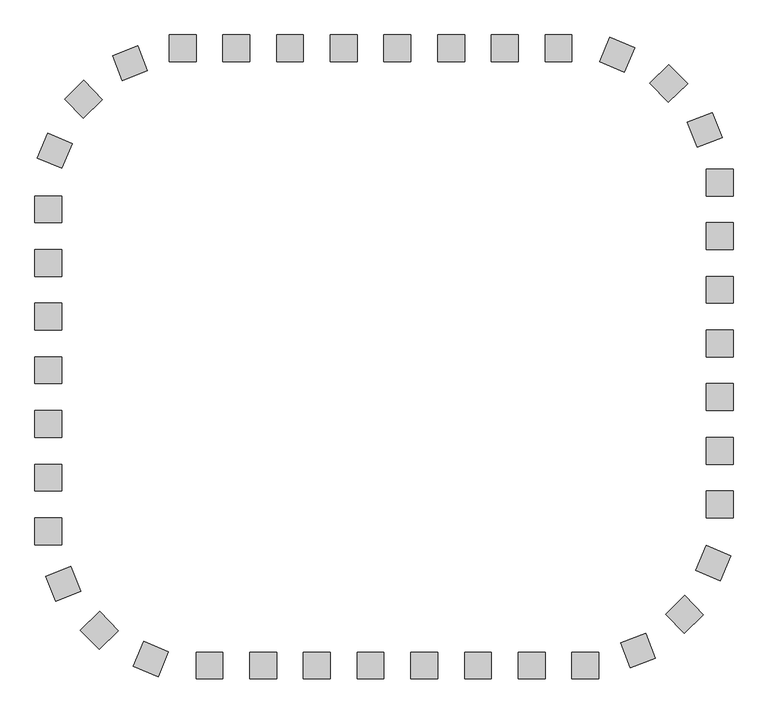
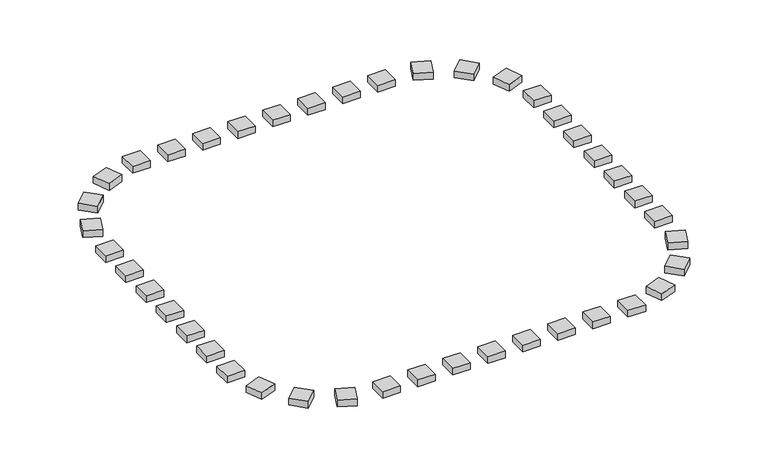
"""IFC4 building model written with IfcOpenShell, lengths in millimetres: railing geometry."""

import ifcopenshell
import ifcopenshell.guid

model = None  # the IFC model being written
_history = None  # IfcOwnerHistory: only IFC2X3 demands one
_inside = {}  # id of a spatial element -> (the spatial element, [elements in it])
_under = {}  # id of a project, library or spatial element -> (it, [spatial elements below it])
_declared = {}  # id of a project -> (the project, [libraries it declares])
_typed = {}  # id of a type object -> (the type object, [elements of that type])
_made_of = {}  # id of a material, layer set ... -> (it, [elements and type objects made of it])


def new_model(schema):
    """Start an empty IFC model of exactly this schema.

    Asked for "IFC4X3", IfcOpenShell would pick the latest addendum, in which some entities
    have other attributes; the version numbers below select the first issue.
    IFC2X3 requires an IfcOwnerHistory on every rooted entity: one is made here for all.
    """
    global model, _history
    if schema == "IFC4X3":
        model = ifcopenshell.file(schema_version=(4, 3, 0, 0))
    else:
        model = ifcopenshell.file(schema=schema)
    _inside.clear()
    _under.clear()
    _declared.clear()
    _typed.clear()
    _made_of.clear()
    _history = None
    if model.schema == "IFC2X3":
        org = make("IfcOrganization", Name="unknown")
        user = make(
            "IfcPersonAndOrganization",
            ThePerson=make("IfcPerson", FamilyName="unknown"),
            TheOrganization=org,
        )
        app = make(
            "IfcApplication",
            ApplicationDeveloper=org,
            Version="unknown",
            ApplicationFullName="unknown",
            ApplicationIdentifier="unknown",
        )
        _history = make(
            "IfcOwnerHistory",
            OwningUser=user,
            OwningApplication=app,
            ChangeAction="ADDED",
            CreationDate=0,
        )
    return model


def make(cls, **values):
    """One entity of the class cls with the attributes given. An attribute that is None is left unset."""
    return model.create_entity(
        cls, **{name: value for name, value in values.items() if value is not None}
    )


def rooted(cls, **values):
    """An entity with a GlobalId (a new one), such as an element, a storey or a relation."""
    return make(cls, GlobalId=ifcopenshell.guid.new(), OwnerHistory=_history, **values)


def si_unit(unit_type, name, prefix=None):
    """IfcSIUnit, for example si_unit("LENGTHUNIT", "METRE", prefix="MILLI")."""
    return make("IfcSIUnit", UnitType=unit_type, Prefix=prefix, Name=name)


def assignment(units):
    """IfcUnitAssignment: the units of a project."""
    return None if units is None else make("IfcUnitAssignment", Units=units)


def point(xyz):
    """IfcCartesianPoint."""
    return None if xyz is None else make("IfcCartesianPoint", Coordinates=xyz)


def direction(xyz):
    """IfcDirection."""
    return None if xyz is None else make("IfcDirection", DirectionRatios=xyz)


def frame(location, z_axis=None, x_axis=None):
    """IfcAxis2Placement3D, a coordinate frame: its origin and axes. An axis left out is left unset."""
    return make(
        "IfcAxis2Placement3D",
        Location=point(location),
        Axis=direction(z_axis),
        RefDirection=direction(x_axis),
    )


def origin():
    """The frame at (0, 0, 0) with its axes left unset."""
    return frame((0.0, 0.0, 0.0))


def origin_with_axes():
    """The frame at (0, 0, 0) with the z axis (0, 0, 1) and the x axis (1, 0, 0) written out."""
    return frame((0.0, 0.0, 0.0), z_axis=(0.0, 0.0, 1.0), x_axis=(1.0, 0.0, 0.0))


def place(relative_to, where):
    """IfcLocalPlacement: puts the frame where relative to a parent placement (None: the world)."""
    return make(
        "IfcLocalPlacement", PlacementRelTo=relative_to, RelativePlacement=where
    )


def context(
    kind, dimensions, precision=None, world=None, true_north=None, identifier=None
):
    """IfcGeometricRepresentationContext, for example the 3D "Model" context."""
    return make(
        "IfcGeometricRepresentationContext",
        ContextIdentifier=identifier,
        ContextType=kind,
        CoordinateSpaceDimension=dimensions,
        Precision=precision,
        WorldCoordinateSystem=world,
        TrueNorth=true_north,
    )


def project(units=None, contexts=None):
    """IfcProject with its units and contexts."""
    return rooted(
        "IfcProject",
        Name="project",
        RepresentationContexts=contexts,
        UnitsInContext=assignment(units),
    )


def spatial(cls, under=None, at=None, **own):
    """A site, building, storey or space (cls), placed at a placement, below another one or the project."""
    s = rooted(cls, ObjectPlacement=at, **own)
    if under is not None:
        _under.setdefault(under.id(), (under, []))[1].append(s)
    return s


def polyline(points):
    """IfcPolyline through the points."""
    return make("IfcPolyline", Points=[point(p) for p in points])


def outline(outer, holes=None, kind="AREA"):
    """IfcArbitraryClosedProfileDef: a profile drawn as a closed curve; with holes, ...WithVoids."""
    if holes is None:
        return make("IfcArbitraryClosedProfileDef", ProfileType=kind, OuterCurve=outer)
    return make(
        "IfcArbitraryProfileDefWithVoids",
        ProfileType=kind,
        OuterCurve=outer,
        InnerCurves=holes,
    )


def extrude(swept, where, along, depth):
    """IfcExtrudedAreaSolid: the profile swept, set in the frame where, extruded along a direction by depth."""
    return make(
        "IfcExtrudedAreaSolid",
        SweptArea=swept,
        Position=where,
        ExtrudedDirection=direction(along),
        Depth=depth,
    )


def shape(context_of_items, identifier, shape_type, items):
    """IfcShapeRepresentation: the items that make up one representation, for example the "Body"."""
    return make(
        "IfcShapeRepresentation",
        ContextOfItems=context_of_items,
        RepresentationIdentifier=identifier,
        RepresentationType=shape_type,
        Items=items,
    )


def source(mapping_origin, context_of_items, identifier, shape_type, items):
    """IfcRepresentationMap: a shape defined once, which mapped items show again and again."""
    return make(
        "IfcRepresentationMap",
        MappingOrigin=mapping_origin,
        MappedRepresentation=shape(context_of_items, identifier, shape_type, items),
    )


def transform(
    local_origin,
    x_axis=None,
    y_axis=None,
    z_axis=None,
    scale=None,
    scale2=None,
    scale3=None,
    uniform=True,
):
    """IfcCartesianTransformationOperator3D, or its non-uniform kind. x_axis, y_axis, z_axis: its Axis1, 2, 3."""
    if uniform:
        return make(
            "IfcCartesianTransformationOperator3D",
            Axis1=direction(x_axis),
            Axis2=direction(y_axis),
            LocalOrigin=point(local_origin),
            Scale=scale,
            Axis3=direction(z_axis),
        )
    return make(
        "IfcCartesianTransformationOperator3DnonUniform",
        Axis1=direction(x_axis),
        Axis2=direction(y_axis),
        LocalOrigin=point(local_origin),
        Scale=scale,
        Axis3=direction(z_axis),
        Scale2=scale2,
        Scale3=scale3,
    )


def mapped(mapping_source, mapping_target):
    """IfcMappedItem: shows the shape of a source again, moved by a transform."""
    return make(
        "IfcMappedItem", MappingSource=mapping_source, MappingTarget=mapping_target
    )


def made_of(thing, what):
    """Note that an element or type object is made of a material, layer set ...; save() writes the relation."""
    if what is not None:
        _made_of.setdefault(what.id(), (what, []))[1].append(thing)
    return thing


def element(
    cls,
    number,
    at=None,
    inside=None,
    cuts=None,
    type_object=None,
    material=None,
    context=None,
    identifier="Body",
    shape_type=None,
    held_by="IfcProductDefinitionShape",
    body=None,
    shapes=None,
    **own,
):
    """One element of the class cls, such as IfcWall. Its Tag is "e" and its number.

    at: its placement. inside: the storey or other place that contains it. cuts: it is an
    opening in that element (IfcRelVoidsElement). A single representation is given by context,
    identifier, shape_type and body (its items); several are given by shapes. held_by: the class
    of the entity that holds the representations. save() writes the other relations.
    """
    e = rooted(cls, Tag="e%d" % number, ObjectPlacement=at, **own)
    if body is not None:
        shapes = [shape(context, identifier, shape_type, body)]
    if shapes is not None:
        e.Representation = make(held_by, Representations=shapes)
    if inside is not None:
        _inside.setdefault(inside.id(), (inside, []))[1].append(e)
    if cuts is not None:
        rooted(
            "IfcRelVoidsElement", RelatingBuildingElement=cuts, RelatedOpeningElement=e
        )
    if type_object is not None:
        _typed.setdefault(type_object.id(), (type_object, []))[1].append(e)
    return made_of(e, material)


def aggregate(whole, parts):
    """IfcRelAggregates: a whole, such as a stair, and the parts it consists of."""
    return rooted("IfcRelAggregates", RelatingObject=whole, RelatedObjects=parts)


def save(model, path):
    """Write the relations noted so far, then the file.

    IfcRelAggregates (storeys below a building ...), IfcRelContainedInSpatialStructure (elements
    in a storey), IfcRelDefinesByType, IfcRelAssociatesMaterial and IfcRelDeclares: one each for
    every whole, place, type object, material and project.
    """
    for whole, parts in _under.values():
        aggregate(whole, parts)
    for where, things in _inside.values():
        rooted(
            "IfcRelContainedInSpatialStructure",
            RelatedElements=things,
            RelatingStructure=where,
        )
    for kind, things in _typed.values():
        rooted("IfcRelDefinesByType", RelatedObjects=things, RelatingType=kind)
    for what, things in _made_of.values():
        rooted("IfcRelAssociatesMaterial", RelatedObjects=things, RelatingMaterial=what)
    for by, libraries in _declared.values():
        rooted("IfcRelDeclares", RelatingContext=by, RelatedDefinitions=libraries)
    model.write(path)


def railing_6942ad5b(model_context):
    return source(origin(), model_context, "Body", "SweptSolid", [
        extrude(outline(polyline([(37542.0201433, 21987.3166341), (37542.0201433, 21487.3166341), (37042.0201433, 21487.3166341), (37042.0201433, 21987.3166341), (37542.0201433, 21987.3166341)])), origin_with_axes(), (0.0, 0.0, 1.0), 200.0),
        extrude(outline(polyline([(36542.0201433, 21987.3166341), (36542.0201433, 21487.3166341), (36042.0201433, 21487.3166341), (36042.0201433, 21987.3166341), (36542.0201433, 21987.3166341)])), origin_with_axes(), (0.0, 0.0, 1.0), 200.0),
        extrude(outline(polyline([(35542.0201433, 21987.3166341), (35542.0201433, 21487.3166341), (35042.0201433, 21487.3166341), (35042.0201433, 21987.3166341), (35542.0201433, 21987.3166341)])), origin_with_axes(), (0.0, 0.0, 1.0), 200.0),
        extrude(outline(polyline([(34542.0201433, 21987.3166341), (34542.0201433, 21487.3166341), (34042.0201433, 21487.3166341), (34042.0201433, 21987.3166341), (34542.0201433, 21987.3166341)])), origin_with_axes(), (0.0, 0.0, 1.0), 200.0),
        extrude(outline(polyline([(33542.0201433, 21987.3166341), (33542.0201433, 21487.3166341), (33042.0201433, 21487.3166341), (33042.0201433, 21987.3166341), (33542.0201433, 21987.3166341)])), origin_with_axes(), (0.0, 0.0, 1.0), 200.0),
        extrude(outline(polyline([(32542.0201433, 21987.3166341), (32542.0201433, 21487.3166341), (32042.0201433, 21487.3166341), (32042.0201433, 21987.3166341), (32542.0201433, 21987.3166341)])), origin_with_axes(), (0.0, 0.0, 1.0), 200.0),
        extrude(outline(polyline([(30454.9468799, 21783.433892), (30636.1257571, 21317.4143491), (30170.1062142, 21136.2354718), (29988.9273369, 21602.2550148), (30454.9468799, 21783.433892)])), origin_with_axes(), (0.0, 0.0, 1.0), 200.0),
        extrude(outline(polyline([(29451.9000153, 21139.3849068), (29800.25337, 20780.7068614), (29441.5753245, 20432.3535067), (29093.2219698, 20791.0315522), (29451.9000153, 21139.3849068)])), origin_with_axes(), (0.0, 0.0, 1.0), 200.0),
        extrude(outline(polyline([(28778.8371613, 20155.5716611), (29239.3676583, 19960.8624899), (29044.6584872, 19500.3319929), (28584.1279902, 19695.0411641), (28778.8371613, 20155.5716611)])), origin_with_axes(), (0.0, 0.0, 1.0), 200.0),
        extrude(outline(polyline([(28542.0201433, 17987.3166341), (29042.0201433, 17987.3166341), (29042.0201433, 17487.3166341), (28542.0201433, 17487.3166341), (28542.0201433, 17987.3166341)])), origin_with_axes(), (0.0, 0.0, 1.0), 200.0),
        extrude(outline(polyline([(28542.0201433, 16987.3166341), (29042.0201433, 16987.3166341), (29042.0201433, 16487.3166341), (28542.0201433, 16487.3166341), (28542.0201433, 16987.3166341)])), origin_with_axes(), (0.0, 0.0, 1.0), 200.0),
        extrude(outline(polyline([(28542.0201433, 15987.3166341), (29042.0201433, 15987.3166341), (29042.0201433, 15487.3166341), (28542.0201433, 15487.3166341), (28542.0201433, 15987.3166341)])), origin_with_axes(), (0.0, 0.0, 1.0), 200.0),
        extrude(outline(polyline([(28542.0201433, 14987.3166341), (29042.0201433, 14987.3166341), (29042.0201433, 14487.3166341), (28542.0201433, 14487.3166341), (28542.0201433, 14987.3166341)])), origin_with_axes(), (0.0, 0.0, 1.0), 200.0),
        extrude(outline(polyline([(28542.0201433, 13987.3166341), (29042.0201433, 13987.3166341), (29042.0201433, 13487.3166341), (28542.0201433, 13487.3166341), (28542.0201433, 13987.3166341)])), origin_with_axes(), (0.0, 0.0, 1.0), 200.0),
        extrude(outline(polyline([(28745.9028854, 11900.2433707), (29211.9224284, 12081.4222479), (29393.1013056, 11615.402705), (28927.0817627, 11434.2238277), (28745.9028854, 11900.2433707)])), origin_with_axes(), (0.0, 0.0, 1.0), 200.0),
        extrude(outline(polyline([(29389.9518706, 10897.1965061), (29748.6299161, 11245.5498608), (30096.9832708, 10886.8718153), (29738.3052253, 10538.5184606), (29389.9518706, 10897.1965061)])), origin_with_axes(), (0.0, 0.0, 1.0), 200.0),
        extrude(outline(polyline([(30373.7651164, 10224.1336521), (30568.4742876, 10684.6641491), (31029.0047846, 10489.954978), (30834.2956134, 10029.424481), (30373.7651164, 10224.1336521)])), origin_with_axes(), (0.0, 0.0, 1.0), 200.0),
        extrude(outline(polyline([(32542.0201433, 9987.3166341), (32542.0201433, 10487.3166341), (33042.0201433, 10487.3166341), (33042.0201433, 9987.3166341), (32542.0201433, 9987.3166341)])), origin_with_axes(), (0.0, 0.0, 1.0), 200.0),
        extrude(outline(polyline([(33542.0201433, 9987.3166341), (33542.0201433, 10487.3166341), (34042.0201433, 10487.3166341), (34042.0201433, 9987.3166341), (33542.0201433, 9987.3166341)])), origin_with_axes(), (0.0, 0.0, 1.0), 200.0),
        extrude(outline(polyline([(34542.0201433, 9987.3166341), (34542.0201433, 10487.3166341), (35042.0201433, 10487.3166341), (35042.0201433, 9987.3166341), (34542.0201433, 9987.3166341)])), origin_with_axes(), (0.0, 0.0, 1.0), 200.0),
        extrude(outline(polyline([(35542.0201433, 9987.3166341), (35542.0201433, 10487.3166341), (36042.0201433, 10487.3166341), (36042.0201433, 9987.3166341), (35542.0201433, 9987.3166341)])), origin_with_axes(), (0.0, 0.0, 1.0), 200.0),
        extrude(outline(polyline([(36542.0201433, 9987.3166341), (36542.0201433, 10487.3166341), (37042.0201433, 10487.3166341), (37042.0201433, 9987.3166341), (36542.0201433, 9987.3166341)])), origin_with_axes(), (0.0, 0.0, 1.0), 200.0),
        extrude(outline(polyline([(37542.0201433, 9987.3166341), (37542.0201433, 10487.3166341), (38042.0201433, 10487.3166341), (38042.0201433, 9987.3166341), (37542.0201433, 9987.3166341)])), origin_with_axes(), (0.0, 0.0, 1.0), 200.0),
        extrude(outline(polyline([(39629.0934068, 10191.1993762), (39447.9145295, 10657.2189192), (39913.9340725, 10838.3977965), (40095.1129497, 10372.3782535), (39629.0934068, 10191.1993762)])), origin_with_axes(), (0.0, 0.0, 1.0), 200.0),
        extrude(outline(polyline([(40632.1402714, 10835.2483614), (40283.7869167, 11193.9264069), (40642.4649621, 11542.2797616), (40990.8183168, 11183.6017161), (40632.1402714, 10835.2483614)])), origin_with_axes(), (0.0, 0.0, 1.0), 200.0),
        extrude(outline(polyline([(41305.2031253, 11819.0616072), (40844.6726283, 12013.7707784), (41039.3817995, 12474.3012754), (41499.9122965, 12279.5921042), (41305.2031253, 11819.0616072)])), origin_with_axes(), (0.0, 0.0, 1.0), 200.0),
        extrude(outline(polyline([(41542.0201433, 13987.3166341), (41042.0201433, 13987.3166341), (41042.0201433, 14487.3166341), (41542.0201433, 14487.3166341), (41542.0201433, 13987.3166341)])), origin_with_axes(), (0.0, 0.0, 1.0), 200.0),
        extrude(outline(polyline([(41542.0201433, 14987.3166341), (41042.0201433, 14987.3166341), (41042.0201433, 15487.3166341), (41542.0201433, 15487.3166341), (41542.0201433, 14987.3166341)])), origin_with_axes(), (0.0, 0.0, 1.0), 200.0),
        extrude(outline(polyline([(41542.0201433, 15987.3166341), (41042.0201433, 15987.3166341), (41042.0201433, 16487.3166341), (41542.0201433, 16487.3166341), (41542.0201433, 15987.3166341)])), origin_with_axes(), (0.0, 0.0, 1.0), 200.0),
        extrude(outline(polyline([(41542.0201433, 16987.3166341), (41042.0201433, 16987.3166341), (41042.0201433, 17487.3166341), (41542.0201433, 17487.3166341), (41542.0201433, 16987.3166341)])), origin_with_axes(), (0.0, 0.0, 1.0), 200.0),
        extrude(outline(polyline([(41542.0201433, 17987.3166341), (41042.0201433, 17987.3166341), (41042.0201433, 18487.3166341), (41542.0201433, 18487.3166341), (41542.0201433, 17987.3166341)])), origin_with_axes(), (0.0, 0.0, 1.0), 200.0),
        extrude(outline(polyline([(41338.1374012, 20074.3898976), (40872.1178582, 19893.2110203), (40690.938981, 20359.2305633), (41156.958524, 20540.4094406), (41338.1374012, 20074.3898976)])), origin_with_axes(), (0.0, 0.0, 1.0), 200.0),
        extrude(outline(polyline([(40694.088416, 21077.4367622), (40335.4103706, 20729.0834075), (39987.0570159, 21087.761453), (40345.7350614, 21436.1148076), (40694.088416, 21077.4367622)])), origin_with_axes(), (0.0, 0.0, 1.0), 200.0),
        extrude(outline(polyline([(39710.2751703, 21750.4996161), (39515.5659991, 21289.9691191), (39055.0355021, 21484.6782903), (39249.7446733, 21945.2087873), (39710.2751703, 21750.4996161)])), origin_with_axes(), (0.0, 0.0, 1.0), 200.0),
        extrude(outline(polyline([(38542.0201433, 21987.3166341), (38542.0201433, 21487.3166341), (38042.0201433, 21487.3166341), (38042.0201433, 21987.3166341), (38542.0201433, 21987.3166341)])), origin_with_axes(), (0.0, 0.0, 1.0), 200.0),
        extrude(outline(polyline([(31542.0201433, 21987.3166341), (31542.0201433, 21487.3166341), (31042.0201433, 21487.3166341), (31042.0201433, 21987.3166341), (31542.0201433, 21987.3166341)])), origin_with_axes(), (0.0, 0.0, 1.0), 200.0),
        extrude(outline(polyline([(28542.0201433, 18987.3166341), (29042.0201433, 18987.3166341), (29042.0201433, 18487.3166341), (28542.0201433, 18487.3166341), (28542.0201433, 18987.3166341)])), origin_with_axes(), (0.0, 0.0, 1.0), 200.0),
        extrude(outline(polyline([(28542.0201433, 12987.3166341), (29042.0201433, 12987.3166341), (29042.0201433, 12487.3166341), (28542.0201433, 12487.3166341), (28542.0201433, 12987.3166341)])), origin_with_axes(), (0.0, 0.0, 1.0), 200.0),
        extrude(outline(polyline([(31542.0201433, 9987.3166341), (31542.0201433, 10487.3166341), (32042.0201433, 10487.3166341), (32042.0201433, 9987.3166341), (31542.0201433, 9987.3166341)])), origin_with_axes(), (0.0, 0.0, 1.0), 200.0),
        extrude(outline(polyline([(38542.0201433, 9987.3166341), (38542.0201433, 10487.3166341), (39042.0201433, 10487.3166341), (39042.0201433, 9987.3166341), (38542.0201433, 9987.3166341)])), origin_with_axes(), (0.0, 0.0, 1.0), 200.0),
        extrude(outline(polyline([(41542.0201433, 12987.3166341), (41042.0201433, 12987.3166341), (41042.0201433, 13487.3166341), (41542.0201433, 13487.3166341), (41542.0201433, 12987.3166341)])), origin_with_axes(), (0.0, 0.0, 1.0), 200.0),
        extrude(outline(polyline([(41542.0201433, 18987.3166341), (41042.0201433, 18987.3166341), (41042.0201433, 19487.3166341), (41542.0201433, 19487.3166341), (41542.0201433, 18987.3166341)])), origin_with_axes(), (0.0, 0.0, 1.0), 200.0),
    ])


if __name__ == "__main__":
    model = new_model("IFC4")
    model_context = context("Model", 3, world=origin())
    ifc_project = project(units=[si_unit("LENGTHUNIT", "METRE", prefix="MILLI")], contexts=[model_context])
    site = spatial("IfcSite", under=ifc_project)
    building = spatial("IfcBuilding", under=site)
    placement = place(None, origin())
    railing_shape = railing_6942ad5b(model_context)
    element("IfcRailing", 1, at=placement, inside=building, context=model_context, shape_type="MappedRepresentation", body=[
        mapped(railing_shape, transform((0.0, 0.0, 0.0), x_axis=(1.0, 0.0, 0.0), y_axis=(0.0, 1.0, 0.0), z_axis=(0.0, 0.0, 1.0))),
    ])
    save(model, "model.ifc")
